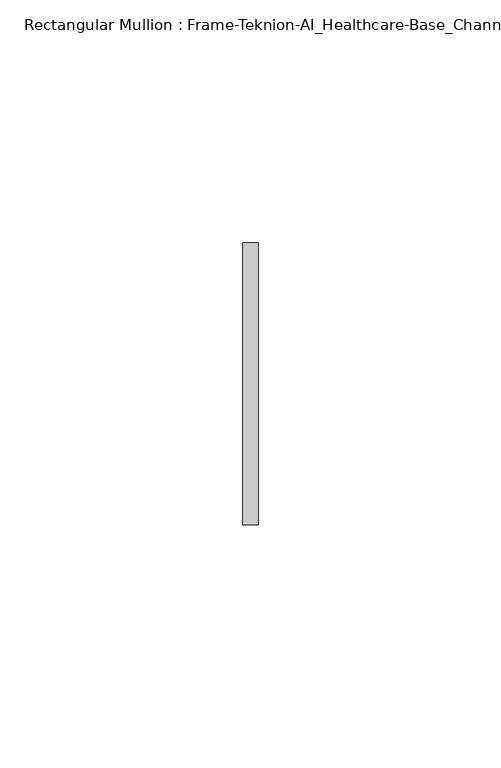
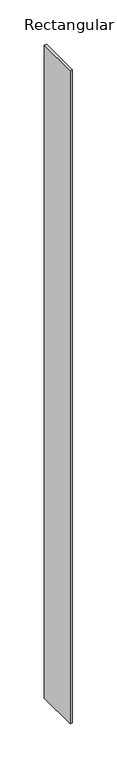
"""IFC4 building model written with IfcOpenShell, lengths in millimetres: member geometry, Rectangular Mullion : Frame-Teknion-AI_Healthcare-Base_Channel."""

import ifcopenshell
import ifcopenshell.guid

model = None  # the IFC model being written
_history = None  # IfcOwnerHistory: only IFC2X3 demands one
_inside = {}  # id of a spatial element -> (the spatial element, [elements in it])
_under = {}  # id of a project, library or spatial element -> (it, [spatial elements below it])
_declared = {}  # id of a project -> (the project, [libraries it declares])
_typed = {}  # id of a type object -> (the type object, [elements of that type])
_made_of = {}  # id of a material, layer set ... -> (it, [elements and type objects made of it])


def new_model(schema):
    """Start an empty IFC model of exactly this schema.

    Asked for "IFC4X3", IfcOpenShell would pick the latest addendum, in which some entities
    have other attributes; the version numbers below select the first issue.
    IFC2X3 requires an IfcOwnerHistory on every rooted entity: one is made here for all.
    """
    global model, _history
    if schema == "IFC4X3":
        model = ifcopenshell.file(schema_version=(4, 3, 0, 0))
    else:
        model = ifcopenshell.file(schema=schema)
    _inside.clear()
    _under.clear()
    _declared.clear()
    _typed.clear()
    _made_of.clear()
    _history = None
    if model.schema == "IFC2X3":
        org = make("IfcOrganization", Name="unknown")
        user = make(
            "IfcPersonAndOrganization",
            ThePerson=make("IfcPerson", FamilyName="unknown"),
            TheOrganization=org,
        )
        app = make(
            "IfcApplication",
            ApplicationDeveloper=org,
            Version="unknown",
            ApplicationFullName="unknown",
            ApplicationIdentifier="unknown",
        )
        _history = make(
            "IfcOwnerHistory",
            OwningUser=user,
            OwningApplication=app,
            ChangeAction="ADDED",
            CreationDate=0,
        )
    return model


def make(cls, **values):
    """One entity of the class cls with the attributes given. An attribute that is None is left unset."""
    return model.create_entity(
        cls, **{name: value for name, value in values.items() if value is not None}
    )


def rooted(cls, **values):
    """An entity with a GlobalId (a new one), such as an element, a storey or a relation."""
    return make(cls, GlobalId=ifcopenshell.guid.new(), OwnerHistory=_history, **values)


def si_unit(unit_type, name, prefix=None):
    """IfcSIUnit, for example si_unit("LENGTHUNIT", "METRE", prefix="MILLI")."""
    return make("IfcSIUnit", UnitType=unit_type, Prefix=prefix, Name=name)


def assignment(units):
    """IfcUnitAssignment: the units of a project."""
    return None if units is None else make("IfcUnitAssignment", Units=units)


def point(xyz):
    """IfcCartesianPoint."""
    return None if xyz is None else make("IfcCartesianPoint", Coordinates=xyz)


def direction(xyz):
    """IfcDirection."""
    return None if xyz is None else make("IfcDirection", DirectionRatios=xyz)


def frame(location, z_axis=None, x_axis=None):
    """IfcAxis2Placement3D, a coordinate frame: its origin and axes. An axis left out is left unset."""
    return make(
        "IfcAxis2Placement3D",
        Location=point(location),
        Axis=direction(z_axis),
        RefDirection=direction(x_axis),
    )


def origin():
    """The frame at (0, 0, 0) with its axes left unset."""
    return frame((0.0, 0.0, 0.0))


def place(relative_to, where):
    """IfcLocalPlacement: puts the frame where relative to a parent placement (None: the world)."""
    return make(
        "IfcLocalPlacement", PlacementRelTo=relative_to, RelativePlacement=where
    )


def context(
    kind, dimensions, precision=None, world=None, true_north=None, identifier=None
):
    """IfcGeometricRepresentationContext, for example the 3D "Model" context."""
    return make(
        "IfcGeometricRepresentationContext",
        ContextIdentifier=identifier,
        ContextType=kind,
        CoordinateSpaceDimension=dimensions,
        Precision=precision,
        WorldCoordinateSystem=world,
        TrueNorth=true_north,
    )


def project(units=None, contexts=None):
    """IfcProject with its units and contexts."""
    return rooted(
        "IfcProject",
        Name="project",
        RepresentationContexts=contexts,
        UnitsInContext=assignment(units),
    )


def spatial(cls, under=None, at=None, **own):
    """A site, building, storey or space (cls), placed at a placement, below another one or the project."""
    s = rooted(cls, ObjectPlacement=at, **own)
    if under is not None:
        _under.setdefault(under.id(), (under, []))[1].append(s)
    return s


def polyline(points):
    """IfcPolyline through the points."""
    return make("IfcPolyline", Points=[point(p) for p in points])


def outline(outer, holes=None, kind="AREA"):
    """IfcArbitraryClosedProfileDef: a profile drawn as a closed curve; with holes, ...WithVoids."""
    if holes is None:
        return make("IfcArbitraryClosedProfileDef", ProfileType=kind, OuterCurve=outer)
    return make(
        "IfcArbitraryProfileDefWithVoids",
        ProfileType=kind,
        OuterCurve=outer,
        InnerCurves=holes,
    )


def extrude(swept, where, along, depth):
    """IfcExtrudedAreaSolid: the profile swept, set in the frame where, extruded along a direction by depth."""
    return make(
        "IfcExtrudedAreaSolid",
        SweptArea=swept,
        Position=where,
        ExtrudedDirection=direction(along),
        Depth=depth,
    )


def shape(context_of_items, identifier, shape_type, items):
    """IfcShapeRepresentation: the items that make up one representation, for example the "Body"."""
    return make(
        "IfcShapeRepresentation",
        ContextOfItems=context_of_items,
        RepresentationIdentifier=identifier,
        RepresentationType=shape_type,
        Items=items,
    )


def source(mapping_origin, context_of_items, identifier, shape_type, items):
    """IfcRepresentationMap: a shape defined once, which mapped items show again and again."""
    return make(
        "IfcRepresentationMap",
        MappingOrigin=mapping_origin,
        MappedRepresentation=shape(context_of_items, identifier, shape_type, items),
    )


def transform(
    local_origin,
    x_axis=None,
    y_axis=None,
    z_axis=None,
    scale=None,
    scale2=None,
    scale3=None,
    uniform=True,
):
    """IfcCartesianTransformationOperator3D, or its non-uniform kind. x_axis, y_axis, z_axis: its Axis1, 2, 3."""
    if uniform:
        return make(
            "IfcCartesianTransformationOperator3D",
            Axis1=direction(x_axis),
            Axis2=direction(y_axis),
            LocalOrigin=point(local_origin),
            Scale=scale,
            Axis3=direction(z_axis),
        )
    return make(
        "IfcCartesianTransformationOperator3DnonUniform",
        Axis1=direction(x_axis),
        Axis2=direction(y_axis),
        LocalOrigin=point(local_origin),
        Scale=scale,
        Axis3=direction(z_axis),
        Scale2=scale2,
        Scale3=scale3,
    )


def mapped(mapping_source, mapping_target):
    """IfcMappedItem: shows the shape of a source again, moved by a transform."""
    return make(
        "IfcMappedItem", MappingSource=mapping_source, MappingTarget=mapping_target
    )


def made_of(thing, what):
    """Note that an element or type object is made of a material, layer set ...; save() writes the relation."""
    if what is not None:
        _made_of.setdefault(what.id(), (what, []))[1].append(thing)
    return thing


def element(
    cls,
    number,
    at=None,
    inside=None,
    cuts=None,
    type_object=None,
    material=None,
    context=None,
    identifier="Body",
    shape_type=None,
    held_by="IfcProductDefinitionShape",
    body=None,
    shapes=None,
    **own,
):
    """One element of the class cls, such as IfcWall. Its Tag is "e" and its number.

    at: its placement. inside: the storey or other place that contains it. cuts: it is an
    opening in that element (IfcRelVoidsElement). A single representation is given by context,
    identifier, shape_type and body (its items); several are given by shapes. held_by: the class
    of the entity that holds the representations. save() writes the other relations.
    """
    e = rooted(cls, Tag="e%d" % number, ObjectPlacement=at, **own)
    if body is not None:
        shapes = [shape(context, identifier, shape_type, body)]
    if shapes is not None:
        e.Representation = make(held_by, Representations=shapes)
    if inside is not None:
        _inside.setdefault(inside.id(), (inside, []))[1].append(e)
    if cuts is not None:
        rooted(
            "IfcRelVoidsElement", RelatingBuildingElement=cuts, RelatedOpeningElement=e
        )
    if type_object is not None:
        _typed.setdefault(type_object.id(), (type_object, []))[1].append(e)
    return made_of(e, material)


def aggregate(whole, parts):
    """IfcRelAggregates: a whole, such as a stair, and the parts it consists of."""
    return rooted("IfcRelAggregates", RelatingObject=whole, RelatedObjects=parts)


def save(model, path):
    """Write the relations noted so far, then the file.

    IfcRelAggregates (storeys below a building ...), IfcRelContainedInSpatialStructure (elements
    in a storey), IfcRelDefinesByType, IfcRelAssociatesMaterial and IfcRelDeclares: one each for
    every whole, place, type object, material and project.
    """
    for whole, parts in _under.values():
        aggregate(whole, parts)
    for where, things in _inside.values():
        rooted(
            "IfcRelContainedInSpatialStructure",
            RelatedElements=things,
            RelatingStructure=where,
        )
    for kind, things in _typed.values():
        rooted("IfcRelDefinesByType", RelatedObjects=things, RelatingType=kind)
    for what, things in _made_of.values():
        rooted("IfcRelAssociatesMaterial", RelatedObjects=things, RelatingMaterial=what)
    for by, libraries in _declared.values():
        rooted("IfcRelDeclares", RelatingContext=by, RelatedDefinitions=libraries)
    model.write(path)


def rectangular_mullion_frame_teknion_ai_healthcare_base_channel_6bc1e52c(model_context):
    return source(origin(), model_context, "Body", "SweptSolid", [
        extrude(outline(polyline([(0.0, 29.0214844), (0.0, -29.0214844), (-3.175, -29.0214844), (-3.175, 29.0214844), (0.0, 29.0214844)])), frame((0.0, 0.0, -899.7316603), z_axis=(0.0, 0.0, 1.0), x_axis=(1.0, 0.0, 0.0)), (0.0, 0.0, 1.0), 899.7316603),
    ])


if __name__ == "__main__":
    model = new_model("IFC4")
    model_context = context("Model", 3, world=origin())
    ifc_project = project(units=[si_unit("LENGTHUNIT", "METRE", prefix="MILLI")], contexts=[model_context])
    site = spatial("IfcSite", under=ifc_project)
    building = spatial("IfcBuilding", under=site)
    placement = place(None, origin())
    rectangular_mullion_frame_teknion_ai_healthcare_base_channel_shape = rectangular_mullion_frame_teknion_ai_healthcare_base_channel_6bc1e52c(model_context)
    element("IfcMember", 1, ObjectType="Rectangular Mullion : Frame-Teknion-AI_Healthcare-Base_Channel", at=placement, inside=building, context=model_context, shape_type="MappedRepresentation", body=[
        mapped(rectangular_mullion_frame_teknion_ai_healthcare_base_channel_shape, transform((0.0, 0.0, 0.0), x_axis=(1.0, 0.0, 0.0), y_axis=(0.0, 1.0, 0.0), z_axis=(0.0, 0.0, 1.0))),
    ])
    save(model, "model.ifc")
